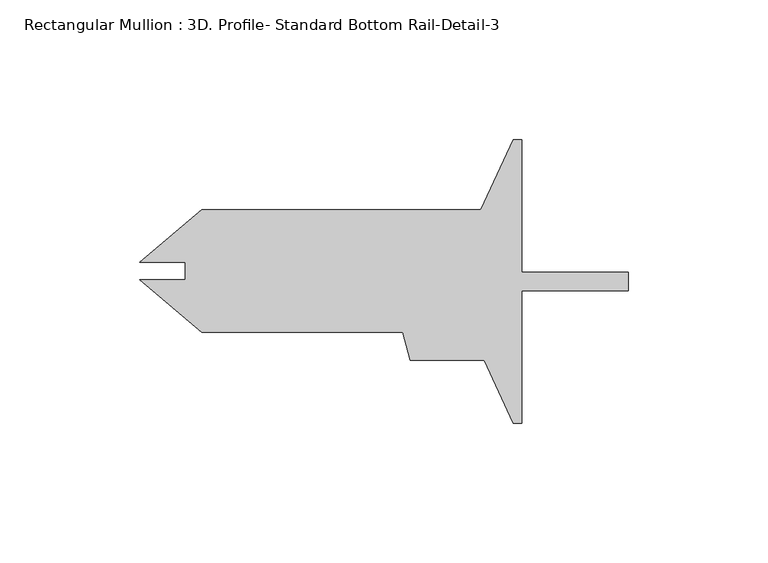
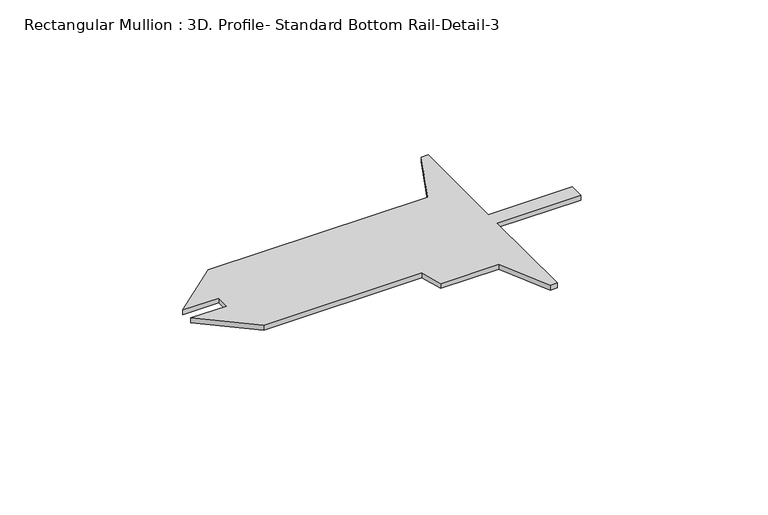
"""IFC4 building model written with IfcOpenShell, lengths in millimetres: member geometry, Rectangular Mullion : 3D. Profile- Standard Bottom Rail-Detail-3."""

from ifc_helpers import new_model, si_unit, frame, origin, place, context, project, spatial, polyline, outline, extrude, source, transform, mapped, element, save


def rectangular_mullion_3d_profile_standard_bottom_rail_detail_3_f2432d4f(model_context):
    return source(origin(), model_context, "Body", "SweptSolid", [
        extrude(outline(polyline([(-38.1000436, 17.2032143), (0.0, 17.2032143), (0.0, 10.4722143), (-38.1000436, 10.4722143), (-38.1000436, -36.9622857), (-41.2128035, -36.9622857), (-51.5917759, -14.4070857), (-78.0418662, -14.4070857), (-80.7411876, -4.3330812), (-152.7178004, -4.3330812), (-175.042608, 14.3996566), (-158.7640136, 14.3996566), (-158.7640136, 20.7237742), (-175.0426159, 20.7237742), (-152.7178004, 39.4565188), (-52.8001507, 39.4565188), (-41.2128035, 64.6377143), (-38.1000436, 64.6377143), (-38.1000436, 17.2032143)])), frame((0.0, 0.0, -2.3427962), z_axis=(0.0, 0.0, 1.0), x_axis=(1.0, 0.0, 0.0)), (0.0, 0.0, 1.0), 2.3427962),
    ])


if __name__ == "__main__":
    model = new_model("IFC4")
    model_context = context("Model", 3, world=origin())
    ifc_project = project(units=[si_unit("LENGTHUNIT", "METRE", prefix="MILLI")], contexts=[model_context])
    site = spatial("IfcSite", under=ifc_project)
    building = spatial("IfcBuilding", under=site)
    placement = place(None, origin())
    rectangular_mullion_3d_profile_standard_bottom_rail_detail_3_shape = rectangular_mullion_3d_profile_standard_bottom_rail_detail_3_f2432d4f(model_context)
    element("IfcMember", 1, ObjectType="Rectangular Mullion : 3D. Profile- Standard Bottom Rail-Detail-3", at=placement, inside=building, context=model_context, shape_type="MappedRepresentation", body=[
        mapped(rectangular_mullion_3d_profile_standard_bottom_rail_detail_3_shape, transform((0.0, 0.0, 0.0), x_axis=(1.0, 0.0, 0.0), y_axis=(0.0, 1.0, 0.0), z_axis=(0.0, 0.0, 1.0))),
    ])
    save(model, "model.ifc")
